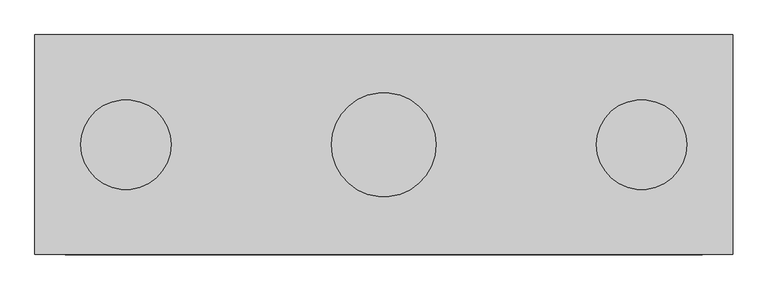
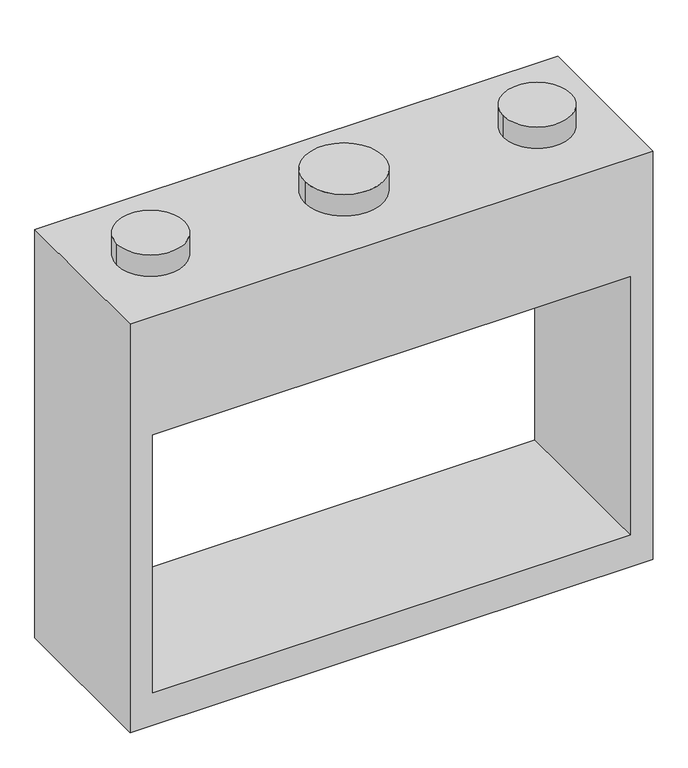
"""IFC4 building model written with IfcOpenShell, lengths in millimetres: proxy geometry."""

from ifc_helpers import new_model, si_unit, point, frame, frame_2d, origin, origin_2d, place, context, project, spatial, polyline, circle_curve, trimmed, segment, composite_curve, outline, extrude, source, transform, mapped, element, save


def generic_models_d1551979(model_context):
    return source(origin(), model_context, "Body", "SweptSolid", [
        extrude(outline(polyline([(1930.4, 1168.4), (1930.4, -1168.4), (0.0, -1168.4), (0.0, 1168.4), (1930.4, 1168.4)]), holes=[polyline([(1371.6, -1066.8), (1371.6, 1066.8), (152.4, 1066.8), (152.4, -1066.8), (1371.6, -1066.8)])]), frame((0.0, -368.3, 0.0), z_axis=(0.0, 1.0, 0.0), x_axis=(0.0, 0.0, 1.0)), (0.0, 0.0, 1.0), 736.6),
        extrude(outline(composite_curve([segment(trimmed(circle_curve(frame_2d((-863.6, 0.0)), 150.8125), [point((-1014.4125, 0.0))], [point((-712.7875, 0.0))], False, "CARTESIAN"), True, "CONTINUOUS"), segment(trimmed(circle_curve(frame_2d((-863.6, 0.0)), 150.8125), [point((-712.7875, 0.0))], [point((-1014.4125, 0.0))], False, "CARTESIAN"), True, "CONTINUOUS")], self_intersect=False)), frame((0.0, 0.0, 1930.4), z_axis=(0.0, 0.0, 1.0), x_axis=(1.0, 0.0, 0.0)), (0.0, 0.0, 1.0), 101.6),
        extrude(outline(composite_curve([segment(trimmed(circle_curve(origin_2d(), 174.625), [point((-174.625, 0.0))], [point((174.625, 0.0))], False, "CARTESIAN"), True, "CONTINUOUS"), segment(trimmed(circle_curve(origin_2d(), 174.625), [point((174.625, 0.0))], [point((-174.625, 0.0))], False, "CARTESIAN"), True, "CONTINUOUS")], self_intersect=False)), frame((0.0, 0.0, 1930.4), z_axis=(0.0, 0.0, 1.0), x_axis=(1.0, 0.0, 0.0)), (0.0, 0.0, 1.0), 101.6),
        extrude(outline(composite_curve([segment(trimmed(circle_curve(frame_2d((863.6, 0.0)), 150.8125), [point((712.7875, 0.0))], [point((1014.4125, 0.0))], False, "CARTESIAN"), True, "CONTINUOUS"), segment(trimmed(circle_curve(frame_2d((863.6, 0.0)), 150.8125), [point((1014.4125, 0.0))], [point((712.7875, 0.0))], False, "CARTESIAN"), True, "CONTINUOUS")], self_intersect=False)), frame((0.0, 0.0, 1930.4), z_axis=(0.0, 0.0, 1.0), x_axis=(1.0, 0.0, 0.0)), (0.0, 0.0, 1.0), 101.6),
    ])


if __name__ == "__main__":
    model = new_model("IFC4")
    model_context = context("Model", 3, world=origin())
    ifc_project = project(units=[si_unit("LENGTHUNIT", "METRE", prefix="MILLI")], contexts=[model_context])
    site = spatial("IfcSite", under=ifc_project)
    building = spatial("IfcBuilding", under=site)
    placement = place(None, origin())
    generic_models_shape = generic_models_d1551979(model_context)
    element("IfcBuildingElementProxy", 1, Name="Generic Models", at=placement, inside=building, context=model_context, shape_type="MappedRepresentation", body=[
        mapped(generic_models_shape, transform((0.0, 0.0, 0.0), x_axis=(1.0, 0.0, 0.0), y_axis=(0.0, 1.0, 0.0), z_axis=(0.0, 0.0, 1.0))),
    ])
    save(model, "model.ifc")
